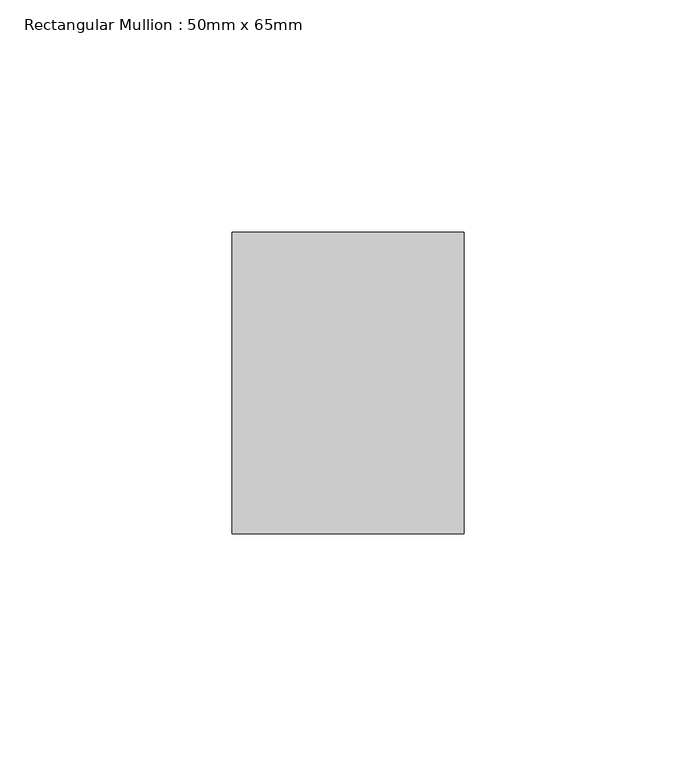
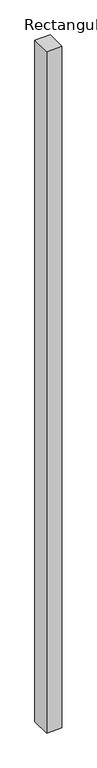
"""IFC4 building model written with IfcOpenShell, lengths in millimetres: member geometry, Rectangular Mullion : 50mm x 65mm."""

from ifc_helpers import new_model, si_unit, frame, origin, place, context, project, spatial, polyline, outline, extrude, source, transform, mapped, element, save


def rectangular_mullion_50mm_x_65mm_a45f3730(model_context):
    return source(origin(), model_context, "Body", "SweptSolid", [
        extrude(outline(polyline([(25.0, 32.5), (25.0, -32.5), (-25.0, -32.5), (-25.0, 32.5), (25.0, 32.5)])), frame((0.0, 0.0, -2332.1774598), z_axis=(0.0, 0.0, 1.0), x_axis=(1.0, 0.0, 0.0)), (0.0, 0.0, 1.0), 2332.1774598),
    ])


if __name__ == "__main__":
    model = new_model("IFC4")
    model_context = context("Model", 3, world=origin())
    ifc_project = project(units=[si_unit("LENGTHUNIT", "METRE", prefix="MILLI")], contexts=[model_context])
    site = spatial("IfcSite", under=ifc_project)
    building = spatial("IfcBuilding", under=site)
    placement = place(None, origin())
    rectangular_mullion_50mm_x_65mm_shape = rectangular_mullion_50mm_x_65mm_a45f3730(model_context)
    element("IfcMember", 1, ObjectType="Rectangular Mullion : 50mm x 65mm", at=placement, inside=building, context=model_context, shape_type="MappedRepresentation", body=[
        mapped(rectangular_mullion_50mm_x_65mm_shape, transform((0.0, 0.0, 0.0), x_axis=(1.0, 0.0, 0.0), y_axis=(0.0, 1.0, 0.0), z_axis=(0.0, 0.0, 1.0))),
    ])
    save(model, "model.ifc")
